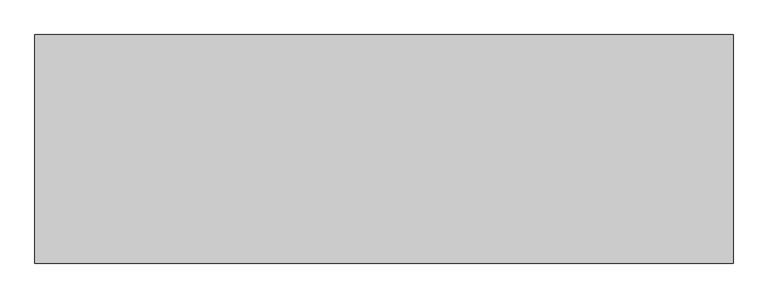
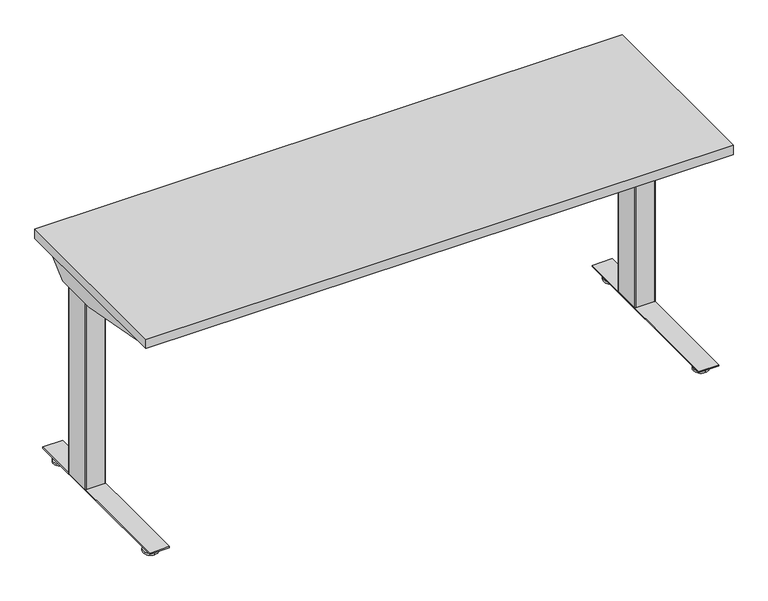
"""IFC4 building model written with IfcOpenShell, lengths in millimetres: furniture geometry."""

from ifc_helpers import new_model, si_unit, point, frame, frame_2d, origin, place, context, project, spatial, polyline, circle_curve, trimmed, segment, composite_curve, outline, extrude, source, transform, mapped, element, save
from ifc_brep_helpers import plane_surface, cylinder_surface, revolved_surface, advanced_brep


def furniture_5f5b1f85(model_context):
    return source(origin(), model_context, "Body", "SolidModel", [
        extrude(outline(composite_curve([segment(polyline([(24.0299808, 91.9126008), (24.0299808, 89.2526023), (15.0465732, 89.2526023)]), True, "CONTINUOUS"), segment(trimmed(circle_curve(frame_2d((15.0465732, 88.1760101)), 1.0765922), [point((15.0465732, 89.2526023))], [point((13.969981, 88.1760101))], True, "CARTESIAN"), True, "CONTINUOUS"), segment(polyline([(13.969981, 88.1760101), (13.969981, 57.733733)]), True, "CONTINUOUS"), segment(trimmed(circle_curve(frame_2d((14.981112, 57.733733)), 1.011131), [point((13.969981, 57.733733))], [point((14.981112, 56.7226021))], True, "CARTESIAN"), True, "CONTINUOUS"), segment(polyline([(14.981112, 56.7226021), (24.0299808, 56.7226021), (24.0299808, 54.0625991), (14.9699813, 54.0625991), (13.1399808, 54.5529489), (11.8003278, 55.8926019), (11.3099815, 57.7226046), (11.3099815, 88.2526043), (11.8003278, 90.0826025), (13.1399808, 91.4222555), (14.9699813, 91.9126008), (24.0299808, 91.9126008)]), True, "CONTINUOUS")], self_intersect=False)), frame((0.0, -569.9468746, 0.0), z_axis=(0.0, 1.0, 0.0), x_axis=(0.0, 0.0, 1.0)), (0.0, 0.0, 1.0), 507.9999924),
        advanced_brep(
        [(71.6136021, -573.6252467, 9.1e-06), (71.6136021, -551.0479001, 9.1e-06), (71.6136021, -528.4705535, 9.1e-06), (71.6136021, -573.6109304, 5.8932313), (71.6136021, -528.4848697, 5.8932313), (71.6136021, -554.5684154, 9.6997702), (71.6136021, -547.5273847, 9.6997702), (71.6136021, -554.5684154, 23.9856018), (71.6136021, -547.5273847, 23.9856018), (71.6136021, -551.0479001, 23.9856018)],
        [
            (0, 1),
            (1, 2),
            (2, 0, circle_curve(frame((71.6136021, -551.0479001, 9.1e-06), z_axis=(0.0, 0.0, -1.0), x_axis=(0.0, 1.0, 0.0)), 22.5773466)),
            (0, 2, circle_curve(frame((71.6136021, -551.0479001, 9.1e-06), z_axis=(0.0, 0.0, -1.0), x_axis=(0.0, 1.0, 0.0)), 22.5773466)),
            (3, 0),
            (2, 4),
            (4, 3, circle_curve(frame((71.6136021, -551.0479001, 5.8932313), z_axis=(0.0, 0.0, -1.0), x_axis=(0.0, 1.0, 0.0)), 22.5630303)),
            (3, 4, circle_curve(frame((71.6136021, -551.0479001, 5.8932313), z_axis=(0.0, 0.0, -1.0), x_axis=(0.0, 1.0, 0.0)), 22.5630303)),
            (5, 3),
            (4, 6),
            (6, 5, circle_curve(frame((71.6136021, -551.0479001, 9.6997702), z_axis=(0.0, 0.0, -1.0), x_axis=(0.0, 1.0, 0.0)), 3.5205153)),
            (5, 6, circle_curve(frame((71.6136021, -551.0479001, 9.6997702), z_axis=(0.0, 0.0, -1.0), x_axis=(0.0, 1.0, 0.0)), 3.5205153)),
            (7, 5),
            (6, 8),
            (8, 7, circle_curve(frame((71.6136021, -551.0479001, 23.9856018), z_axis=(0.0, 0.0, -1.0), x_axis=(0.0, 1.0, 0.0)), 3.5205153)),
            (7, 8, circle_curve(frame((71.6136021, -551.0479001, 23.9856018), z_axis=(0.0, 0.0, -1.0), x_axis=(0.0, 1.0, 0.0)), 3.5205153)),
            (9, 7),
            (8, 9),
        ],
        [
            plane_surface(frame((71.6136021, -551.0479001, 9.1e-06), z_axis=(0.0, 0.0, -1.0), x_axis=(0.0, 1.0, 0.0))),
            revolved_surface(polyline([(71.6136021, -528.4705535, 9.1e-06), (71.6136021, -528.4848697, 5.8932313)]), (71.6136021, -551.0479001, -6.3499909), (0.0, 0.0, 1.0)),
            revolved_surface(polyline([(71.6136021, -528.4848697, 5.8932313), (71.6136021, -547.5273847, 9.6997702)]), (71.6136021, -551.0479001, -6.3499909), (0.0, 0.0, 1.0)),
            cylinder_surface(frame((71.6136021, -551.0479001, -6.3499909), z_axis=(0.0, 0.0, 1.0), x_axis=(0.0, 1.0, 0.0)), 3.5205153),
            plane_surface(frame((71.6136021, -551.0479001, 23.9856018), z_axis=(0.0, 0.0, 1.0), x_axis=(0.0, 1.0, 0.0))),
        ],
        [
            (0, [[1, 2, 3]]),
            (0, [[-2, -1, 4]]),
            (1, [[5, -3, 6, 7]]),
            (1, [[-6, -4, -5, 8]]),
            (2, [[9, -7, 10, 11]]),
            (2, [[-10, -8, -9, 12]]),
            (3, [[13, -11, 14, 15]]),
            (3, [[-14, -12, -13, 16]]),
            (4, [[17, -15, 18]]),
            (4, [[-18, -16, -17]]),
        ],
    ),
        advanced_brep(
        [(71.6136021, -80.677371, 23.9447896), (71.6136021, -84.2813634, 23.9447896), (71.6136021, -77.0733786, 23.9447896), (71.6136021, -103.3167838, 9.1e-06), (71.6136021, -80.677371, 9.1e-06), (71.6136021, -58.0379582, 9.1e-06), (71.6136021, -103.3024934, 5.8932313), (71.6136021, -58.0522486, 5.8932313), (71.6136021, -84.2599821, 9.6997702), (71.6136021, -77.0947599, 9.6997702)],
        [
            (0, 1),
            (1, 2, circle_curve(frame((71.6136021, -80.677371, 23.9447896), z_axis=(0.0, 0.0, 1.0), x_axis=(0.0, 1.0, 0.0)), 3.6039924)),
            (2, 0),
            (2, 1, circle_curve(frame((71.6136021, -80.677371, 23.9447896), z_axis=(0.0, 0.0, 1.0), x_axis=(0.0, 1.0, 0.0)), 3.6039924)),
            (3, 4),
            (4, 5),
            (5, 3, circle_curve(frame((71.6136021, -80.677371, 9.1e-06), z_axis=(0.0, 0.0, -1.0), x_axis=(0.0, 1.0, 0.0)), 22.6394128)),
            (3, 5, circle_curve(frame((71.6136021, -80.677371, 9.1e-06), z_axis=(0.0, 0.0, -1.0), x_axis=(0.0, 1.0, 0.0)), 22.6394128)),
            (6, 3),
            (5, 7),
            (7, 6, circle_curve(frame((71.6136021, -80.677371, 5.8932313), z_axis=(0.0, 0.0, -1.0), x_axis=(0.0, 1.0, 0.0)), 22.6251224)),
            (6, 7, circle_curve(frame((71.6136021, -80.677371, 5.8932313), z_axis=(0.0, 0.0, -1.0), x_axis=(0.0, 1.0, 0.0)), 22.6251224)),
            (8, 6),
            (7, 9),
            (9, 8, circle_curve(frame((71.6136021, -80.677371, 9.6997702), z_axis=(0.0, 0.0, -1.0), x_axis=(0.0, 1.0, 0.0)), 3.5826111)),
            (8, 9, circle_curve(frame((71.6136021, -80.677371, 9.6997702), z_axis=(0.0, 0.0, -1.0), x_axis=(0.0, 1.0, 0.0)), 3.5826111)),
            (1, 8),
            (9, 2),
        ],
        [
            plane_surface(frame((71.6136021, -80.677371, 23.9447896), z_axis=(0.0, 0.0, 1.0), x_axis=(0.0, 1.0, 0.0))),
            plane_surface(frame((71.6136021, -80.677371, 9.1e-06), z_axis=(0.0, 0.0, -1.0), x_axis=(0.0, 1.0, 0.0))),
            revolved_surface(polyline([(71.6136021, -58.0379582, 9.1e-06), (71.6136021, -58.0522486, 5.8932313)]), (71.6136021, -80.677371, -4.2199069), (0.0, 0.0, 1.0)),
            revolved_surface(polyline([(71.6136021, -58.0522486, 5.8932313), (71.6136021, -77.0947599, 9.6997702)]), (71.6136021, -80.677371, -4.2199069), (0.0, 0.0, 1.0)),
            cylinder_surface(frame((71.6136021, -80.677371, -4.2199069), z_axis=(0.0, 0.0, 1.0), x_axis=(0.0, 1.0, 0.0)), 3.5617141),
        ],
        [
            (0, [[1, 2, 3]]),
            (0, [[-3, 4, -1]]),
            (1, [[5, 6, 7]]),
            (1, [[-6, -5, 8]]),
            (2, [[9, -7, 10, 11]]),
            (2, [[-10, -8, -9, 12]]),
            (3, [[13, -11, 14, 15]]),
            (3, [[-14, -12, -13, 16]]),
            (4, [[17, -15, 18, -2]]),
            (4, [[-18, -16, -17, -4]]),
        ],
    ),
        extrude(outline(polyline([(42.9876029, -36.5468837), (102.9576025, -36.5468837), (102.9576025, -595.3468867), (42.9876029, -595.3468867), (42.9876029, -36.5468837)])), frame((0.0, 0.0, 24.0299808), z_axis=(0.0, 0.0, 1.0), x_axis=(1.0, 0.0, 0.0)), (0.0, 0.0, 1.0), 4.1800001),
        extrude(outline(composite_curve([segment(polyline([(98.1047994, -176.9740482), (98.1047994, -259.4776259)]), True, "CONTINUOUS"), segment(trimmed(circle_curve(frame_2d((95.8187994, -259.4776259)), 2.286), [point((98.1047994, -259.4776259))], [point((95.8187994, -261.7636259))], False, "CARTESIAN"), True, "CONTINUOUS"), segment(polyline([(95.8187994, -261.7636259), (47.5023125, -261.7636259)]), True, "CONTINUOUS"), segment(trimmed(circle_curve(frame_2d((47.5023125, -259.4776259)), 2.286), [point((47.5023125, -261.7636259))], [point((45.2163125, -259.4776259))], False, "CARTESIAN"), True, "CONTINUOUS"), segment(polyline([(45.2163125, -259.4776259), (45.2163125, -176.8141955)]), True, "CONTINUOUS"), segment(trimmed(circle_curve(frame_2d((47.5023125, -176.9740482)), 2.2915822), [point((45.2163125, -176.8141955))], [point((47.3424598, -174.6880482))], False, "CARTESIAN"), True, "CONTINUOUS"), segment(polyline([(47.3424598, -174.6880482), (95.8187994, -174.6880482)]), True, "CONTINUOUS"), segment(trimmed(circle_curve(frame_2d((95.8187994, -176.9740482)), 2.286), [point((95.8187994, -174.6880482))], [point((98.1047994, -176.9740482))], False, "CARTESIAN"), True, "CONTINUOUS")], self_intersect=False)), frame((0.0, 0.0, 631.6980091), z_axis=(0.0, 0.0, 1.0), x_axis=(1.0, 0.0, 0.0)), (0.0, 0.0, 1.0), 51.7201446),
        extrude(outline(composite_curve([segment(polyline([(44.6584207, -171.761107), (100.2656021, -171.761107)]), True, "CONTINUOUS"), segment(trimmed(circle_curve(frame_2d((100.2656021, -174.809107)), 3.048), [point((100.2656021, -171.761107))], [point((103.3136021, -174.809107))], False, "CARTESIAN"), True, "CONTINUOUS"), segment(polyline([(103.3136021, -174.809107), (103.3136021, -258.707113)]), True, "CONTINUOUS"), segment(trimmed(circle_curve(frame_2d((100.2656021, -258.707113)), 3.048), [point((103.3136021, -258.707113))], [point((100.2635382, -261.7551123))], False, "CARTESIAN"), True, "CONTINUOUS"), segment(polyline([(100.2635382, -261.7551123), (44.638999, -261.7174476)]), True, "CONTINUOUS"), segment(trimmed(circle_curve(frame_2d((44.6410511, -258.686818)), 3.0306304), [point((44.638999, -261.7174476))], [point((41.6104207, -258.686818))], False, "CARTESIAN"), True, "CONTINUOUS"), segment(polyline([(41.6104207, -258.686818), (41.6104207, -174.809107)]), True, "CONTINUOUS"), segment(trimmed(circle_curve(frame_2d((44.6584207, -174.809107)), 3.048), [point((41.6104207, -174.809107))], [point((44.6584207, -171.761107))], False, "CARTESIAN"), True, "CONTINUOUS")], self_intersect=False)), frame((0.0, 0.0, 28.209981), z_axis=(0.0, 0.0, 1.0), x_axis=(1.0, 0.0, 0.0)), (0.0, 0.0, 1.0), 603.4880281),
        extrude(outline(composite_curve([segment(polyline([(24.0299717, 1714.7357036), (14.9699722, 1714.7357036), (13.1399717, 1715.2260488), (11.8003187, 1716.5657018), (11.3099724, 1718.3957), (11.3099724, 1748.9256997), (11.8003187, 1750.7557024), (13.1399717, 1752.0953554), (14.9699722, 1752.5857052), (24.0299717, 1752.5857052), (24.0299717, 1749.9257022), (14.9811029, 1749.9257022)]), True, "CONTINUOUS"), segment(trimmed(circle_curve(frame_2d((14.9811029, 1748.9145713)), 1.011131), [point((14.9811029, 1749.9257022))], [point((13.9699719, 1748.9145713))], True, "CARTESIAN"), True, "CONTINUOUS"), segment(polyline([(13.9699719, 1748.9145713), (13.9699719, 1718.4722942)]), True, "CONTINUOUS"), segment(trimmed(circle_curve(frame_2d((15.0465641, 1718.4722942)), 1.0765922), [point((13.9699719, 1718.4722942))], [point((15.0465641, 1717.395702))], True, "CARTESIAN"), True, "CONTINUOUS"), segment(polyline([(15.0465641, 1717.395702), (24.0299717, 1717.395702), (24.0299717, 1714.7357036)]), True, "CONTINUOUS")], self_intersect=False)), frame((0.0, -569.9468746, 0.0), z_axis=(0.0, 1.0, 0.0), x_axis=(0.0, 0.0, 1.0)), (0.0, 0.0, 1.0), 507.9999924),
        advanced_brep(
        [(1735.0347023, -573.6252467, 0.0), (1735.0347023, -528.4705535, 0.0), (1735.0347023, -551.0479001, 0.0), (1735.0347023, -573.6109304, 5.8932222), (1735.0347023, -528.4848697, 5.8932222), (1735.0347023, -554.5684154, 9.6997611), (1735.0347023, -547.5273847, 9.6997611), (1735.0347023, -554.5684154, 23.9855927), (1735.0347023, -547.5273847, 23.9855927), (1735.0347023, -551.0479001, 23.9855927)],
        [
            (0, 1, circle_curve(frame((1735.0347023, -551.0479001, 0.0), z_axis=(0.0, 0.0, -1.0), x_axis=(0.0, 1.0, 0.0)), 22.5773466)),
            (1, 2),
            (2, 0),
            (1, 0, circle_curve(frame((1735.0347023, -551.0479001, 0.0), z_axis=(0.0, 0.0, -1.0), x_axis=(0.0, 1.0, 0.0)), 22.5773466)),
            (3, 4, circle_curve(frame((1735.0347023, -551.0479001, 5.8932222), z_axis=(0.0, 0.0, -1.0), x_axis=(0.0, 1.0, 0.0)), 22.5630303)),
            (4, 1),
            (0, 3),
            (4, 3, circle_curve(frame((1735.0347023, -551.0479001, 5.8932222), z_axis=(0.0, 0.0, -1.0), x_axis=(0.0, 1.0, 0.0)), 22.5630303)),
            (5, 6, circle_curve(frame((1735.0347023, -551.0479001, 9.6997611), z_axis=(0.0, 0.0, -1.0), x_axis=(0.0, 1.0, 0.0)), 3.5205153)),
            (6, 4),
            (3, 5),
            (6, 5, circle_curve(frame((1735.0347023, -551.0479001, 9.6997611), z_axis=(0.0, 0.0, -1.0), x_axis=(0.0, 1.0, 0.0)), 3.5205153)),
            (7, 8, circle_curve(frame((1735.0347023, -551.0479001, 23.9855927), z_axis=(0.0, 0.0, -1.0), x_axis=(0.0, 1.0, 0.0)), 3.5205153)),
            (8, 6),
            (5, 7),
            (8, 7, circle_curve(frame((1735.0347023, -551.0479001, 23.9855927), z_axis=(0.0, 0.0, -1.0), x_axis=(0.0, 1.0, 0.0)), 3.5205153)),
            (9, 8),
            (7, 9),
        ],
        [
            plane_surface(frame((1735.0347023, -551.0479001, 0.0), z_axis=(0.0, 0.0, -1.0), x_axis=(0.0, 1.0, 0.0))),
            revolved_surface(polyline([(1735.0347023, -528.4705535, 0.0), (1735.0347023, -528.4848697, 5.8932222)]), (1735.0347023, -551.0479001, -6.35), (0.0, 0.0, 1.0)),
            revolved_surface(polyline([(1735.0347023, -528.4848697, 5.8932222), (1735.0347023, -547.5273847, 9.6997611)]), (1735.0347023, -551.0479001, -6.35), (0.0, 0.0, 1.0)),
            cylinder_surface(frame((1735.0347023, -551.0479001, -6.35), z_axis=(0.0, 0.0, 1.0), x_axis=(0.0, 1.0, 0.0)), 3.5205153),
            plane_surface(frame((1735.0347023, -551.0479001, 23.9855927), z_axis=(0.0, 0.0, 1.0), x_axis=(0.0, 1.0, 0.0))),
        ],
        [
            (0, [[1, 2, 3]]),
            (0, [[4, -3, -2]]),
            (1, [[5, 6, -1, 7]]),
            (1, [[8, -7, -4, -6]]),
            (2, [[9, 10, -5, 11]]),
            (2, [[12, -11, -8, -10]]),
            (3, [[13, 14, -9, 15]]),
            (3, [[16, -15, -12, -14]]),
            (4, [[17, -13, 18]]),
            (4, [[-18, -16, -17]]),
        ],
    ),
        advanced_brep(
        [(1735.0347023, -80.677371, 23.9447805), (1735.0347023, -77.0733786, 23.9447805), (1735.0347023, -84.2813634, 23.9447805), (1735.0347023, -103.3167838, 0.0), (1735.0347023, -58.0379582, 0.0), (1735.0347023, -80.677371, 0.0), (1735.0347023, -103.3024934, 5.8932222), (1735.0347023, -58.0522486, 5.8932222), (1735.0347023, -84.2599821, 9.6997611), (1735.0347023, -77.0947599, 9.6997611)],
        [
            (0, 1),
            (1, 2, circle_curve(frame((1735.0347023, -80.677371, 23.9447805), z_axis=(0.0, 0.0, 1.0), x_axis=(0.0, 1.0, 0.0)), 3.6039924)),
            (2, 0),
            (2, 1, circle_curve(frame((1735.0347023, -80.677371, 23.9447805), z_axis=(0.0, 0.0, 1.0), x_axis=(0.0, 1.0, 0.0)), 3.6039924)),
            (3, 4, circle_curve(frame((1735.0347023, -80.677371, 0.0), z_axis=(0.0, 0.0, -1.0), x_axis=(0.0, 1.0, 0.0)), 22.6394128)),
            (4, 5),
            (5, 3),
            (4, 3, circle_curve(frame((1735.0347023, -80.677371, 0.0), z_axis=(0.0, 0.0, -1.0), x_axis=(0.0, 1.0, 0.0)), 22.6394128)),
            (6, 7, circle_curve(frame((1735.0347023, -80.677371, 5.8932222), z_axis=(0.0, 0.0, -1.0), x_axis=(0.0, 1.0, 0.0)), 22.6251224)),
            (7, 4),
            (3, 6),
            (7, 6, circle_curve(frame((1735.0347023, -80.677371, 5.8932222), z_axis=(0.0, 0.0, -1.0), x_axis=(0.0, 1.0, 0.0)), 22.6251224)),
            (8, 9, circle_curve(frame((1735.0347023, -80.677371, 9.6997611), z_axis=(0.0, 0.0, -1.0), x_axis=(0.0, 1.0, 0.0)), 3.5826111)),
            (9, 7),
            (6, 8),
            (9, 8, circle_curve(frame((1735.0347023, -80.677371, 9.6997611), z_axis=(0.0, 0.0, -1.0), x_axis=(0.0, 1.0, 0.0)), 3.5826111)),
            (1, 9),
            (8, 2),
        ],
        [
            plane_surface(frame((1735.0347023, -80.677371, 23.9447805), z_axis=(0.0, 0.0, 1.0), x_axis=(0.0, 1.0, 0.0))),
            plane_surface(frame((1735.0347023, -80.677371, 0.0), z_axis=(0.0, 0.0, -1.0), x_axis=(0.0, 1.0, 0.0))),
            revolved_surface(polyline([(1735.0347023, -58.0379582, 0.0), (1735.0347023, -58.0522486, 5.8932222)]), (1735.0347023, -80.677371, -4.219916), (0.0, 0.0, 1.0)),
            revolved_surface(polyline([(1735.0347023, -58.0522486, 5.8932222), (1735.0347023, -77.0947599, 9.6997611)]), (1735.0347023, -80.677371, -4.219916), (0.0, 0.0, 1.0)),
            cylinder_surface(frame((1735.0347023, -80.677371, -4.219916), z_axis=(0.0, 0.0, 1.0), x_axis=(0.0, 1.0, 0.0)), 3.5617141),
        ],
        [
            (0, [[1, 2, 3]]),
            (0, [[-3, 4, -1]]),
            (1, [[5, 6, 7]]),
            (1, [[8, -7, -6]]),
            (2, [[9, 10, -5, 11]]),
            (2, [[12, -11, -8, -10]]),
            (3, [[13, 14, -9, 15]]),
            (3, [[16, -15, -12, -14]]),
            (4, [[-2, 17, -13, 18]]),
            (4, [[-4, -18, -16, -17]]),
        ],
    ),
        extrude(outline(polyline([(1763.6607014, -36.5468837), (1763.6607014, -595.3468867), (1703.6907019, -595.3468867), (1703.6907019, -36.5468837), (1763.6607014, -36.5468837)])), frame((0.0, 0.0, 24.0299717), z_axis=(0.0, 0.0, 1.0), x_axis=(1.0, 0.0, 0.0)), (0.0, 0.0, 1.0), 4.1800001),
        extrude(outline(composite_curve([segment(trimmed(circle_curve(frame_2d((1710.8295049, -176.9740482)), 2.286), [point((1708.5435049, -176.9740482))], [point((1710.8295049, -174.6880482))], False, "CARTESIAN"), True, "CONTINUOUS"), segment(polyline([(1710.8295049, -174.6880482), (1759.3058445, -174.6880482)]), True, "CONTINUOUS"), segment(trimmed(circle_curve(frame_2d((1759.1459918, -176.9740482)), 2.2915822), [point((1759.3058445, -174.6880482))], [point((1761.4319918, -176.8141955))], False, "CARTESIAN"), True, "CONTINUOUS"), segment(polyline([(1761.4319918, -176.8141955), (1761.4319918, -259.4776259)]), True, "CONTINUOUS"), segment(trimmed(circle_curve(frame_2d((1759.1459918, -259.4776259)), 2.286), [point((1761.4319918, -259.4776259))], [point((1759.1459918, -261.7636259))], False, "CARTESIAN"), True, "CONTINUOUS"), segment(polyline([(1759.1459918, -261.7636259), (1710.8295049, -261.7636259)]), True, "CONTINUOUS"), segment(trimmed(circle_curve(frame_2d((1710.8295049, -259.4776259)), 2.286), [point((1710.8295049, -261.7636259))], [point((1708.5435049, -259.4776259))], False, "CARTESIAN"), True, "CONTINUOUS"), segment(polyline([(1708.5435049, -259.4776259), (1708.5435049, -176.9740482)]), True, "CONTINUOUS")], self_intersect=False)), frame((0.0, 0.0, 631.698), z_axis=(0.0, 0.0, 1.0), x_axis=(1.0, 0.0, 0.0)), (0.0, 0.0, 1.0), 51.7201446),
        extrude(outline(composite_curve([segment(trimmed(circle_curve(frame_2d((1761.9898836, -174.809107)), 3.048), [point((1761.9898836, -171.761107))], [point((1765.0378836, -174.809107))], False, "CARTESIAN"), True, "CONTINUOUS"), segment(polyline([(1765.0378836, -174.809107), (1765.0378836, -258.686818)]), True, "CONTINUOUS"), segment(trimmed(circle_curve(frame_2d((1762.0072532, -258.686818)), 3.0306304), [point((1765.0378836, -258.686818))], [point((1762.0093053, -261.7174476))], False, "CARTESIAN"), True, "CONTINUOUS"), segment(polyline([(1762.0093053, -261.7174476), (1706.3847661, -261.7551123)]), True, "CONTINUOUS"), segment(trimmed(circle_curve(frame_2d((1706.3827022, -258.707113)), 3.048), [point((1706.3847661, -261.7551123))], [point((1703.3347022, -258.707113))], False, "CARTESIAN"), True, "CONTINUOUS"), segment(polyline([(1703.3347022, -258.707113), (1703.3347022, -174.809107)]), True, "CONTINUOUS"), segment(trimmed(circle_curve(frame_2d((1706.3827022, -174.809107)), 3.048), [point((1703.3347022, -174.809107))], [point((1706.3827022, -171.761107))], False, "CARTESIAN"), True, "CONTINUOUS"), segment(polyline([(1706.3827022, -171.761107), (1761.9898836, -171.761107)]), True, "CONTINUOUS")], self_intersect=False)), frame((0.0, 0.0, 28.2099719), z_axis=(0.0, 0.0, 1.0), x_axis=(1.0, 0.0, 0.0)), (0.0, 0.0, 1.0), 603.4880281),
        extrude(outline(composite_curve([segment(polyline([(-174.2581839, 647.0168781), (-262.5697314, 647.0168781)]), True, "CONTINUOUS"), segment(trimmed(circle_curve(frame_2d((-262.5697314, 649.9943465)), 2.9774683), [point((-262.5697314, 647.0168781))], [point((-265.5471997, 649.9943465))], False, "CARTESIAN"), True, "CONTINUOUS"), segment(polyline([(-265.5471997, 649.9943465), (-265.5471997, 694.8677758), (-263.6471704, 694.8677758), (-263.6471704, 649.8787996)]), True, "CONTINUOUS"), segment(trimmed(circle_curve(frame_2d((-262.6852783, 649.8787996)), 0.9618921), [point((-263.6471704, 649.8787996))], [point((-262.6852783, 648.9169075))], True, "CARTESIAN"), True, "CONTINUOUS"), segment(polyline([(-262.6852783, 648.9169075), (-174.1633297, 648.9169075)]), True, "CONTINUOUS"), segment(trimmed(circle_curve(frame_2d((-174.1633297, 650.0330418)), 1.1161343), [point((-174.1633297, 648.9169075))], [point((-173.0471954, 650.0330418))], True, "CARTESIAN"), True, "CONTINUOUS"), segment(polyline([(-173.0471954, 650.0330418), (-173.0471954, 694.8677758), (-171.1471842, 694.8677758), (-171.1471842, 650.1278778)]), True, "CONTINUOUS"), segment(trimmed(circle_curve(frame_2d((-174.2581839, 650.1278778)), 3.1109997), [point((-171.1471842, 650.1278778))], [point((-174.2581839, 647.0168781))], False, "CARTESIAN"), True, "CONTINUOUS")], self_intersect=False)), frame((103.3136021, 0.0, 0.0), z_axis=(1.0, 0.0, 0.0), x_axis=(0.0, 1.0, 0.0)), (0.0, 0.0, 1.0), 1600.0211001),
        extrude(outline(polyline([(-535.7042925, 694.8677758), (-96.2085395, 694.8677758), (-96.2085395, 675.8011882), (-149.1003514, 628.7895622), (-285.4074771, 628.7895622), (-535.7042925, 674.5604147), (-535.7042925, 694.8677758)])), frame((38.1482286, 0.0, 0.0), z_axis=(1.0, 0.0, 0.0), x_axis=(0.0, 1.0, 0.0)), (0.0, 0.0, 1.0), 1.8999567),
        extrude(outline(polyline([(-535.7042925, 694.8677758), (-96.247586, 694.8677758), (-96.247586, 675.7869686), (-149.1003514, 628.7895622), (-285.4074771, 628.7895622), (-535.7042925, 674.5604147), (-535.7042925, 694.8677758)])), frame((1785.6760334, 0.0, 0.0), z_axis=(1.0, 0.0, 0.0), x_axis=(0.0, 1.0, 0.0)), (0.0, 0.0, 1.0), 1.8999567),
        extrude(outline(polyline([(25.4000008, -25.4000008), (1800.3520271, -25.4000008), (1800.3520271, -606.5520029), (25.4000008, -606.5520029), (25.4000008, -25.4000008)])), frame((0.0, 0.0, 694.8677758), z_axis=(0.0, 0.0, 1.0), x_axis=(1.0, 0.0, 0.0)), (0.0, 0.0, 1.0), 29.8704242),
    ])


if __name__ == "__main__":
    model = new_model("IFC4")
    model_context = context("Model", 3, world=origin())
    ifc_project = project(units=[si_unit("LENGTHUNIT", "METRE", prefix="MILLI")], contexts=[model_context])
    site = spatial("IfcSite", under=ifc_project)
    building = spatial("IfcBuilding", under=site)
    placement = place(None, origin())
    furniture_shape = furniture_5f5b1f85(model_context)
    element("IfcFurniture", 1, at=placement, inside=building, context=model_context, shape_type="MappedRepresentation", body=[
        mapped(furniture_shape, transform((0.0, 0.0, 0.0), x_axis=(1.0, 0.0, 0.0), y_axis=(0.0, 1.0, 0.0), z_axis=(0.0, 0.0, 1.0))),
    ])
    save(model, "model.ifc")
